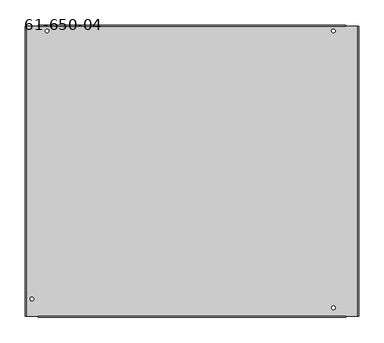
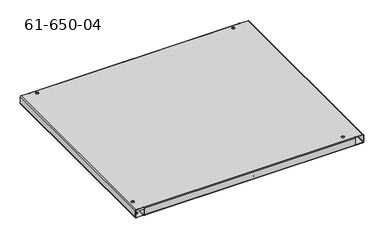
"""IFC4 building model written with IfcOpenShell, lengths in millimetres: proxy geometry, 61-650-04."""

from ifc_helpers import new_model, si_unit, frame, origin, place, context, project, spatial, polyline, circle_curve, source, transform, mapped, element, save
from ifc_brep_helpers import plane_surface, cylinder_surface, revolved_surface, advanced_brep


def proxy_61_650_04_9d0767db(model_context):
    return source(origin(), model_context, "Body", "AdvancedBrep", [
        advanced_brep(
        [(-613.9364542, 554.2749979, -23.27656), (-613.9364542, 554.2749979, -22.42312), (-621.1754542, 554.2749979, -22.42312), (-621.1754542, 554.2749979, -23.27656), (-613.9364542, 554.2749979, 0.0), (-613.9364542, 554.2749979, 0.85344), (-621.1754542, 554.2749979, 0.85344), (-621.1754542, 554.2749979, 0.0), (-51.3518542, 10.1815979, -23.27656), (-51.3518542, 10.1815979, -22.42312), (-58.5908542, 10.1815979, -22.42312), (-58.5908542, 10.1815979, -23.27656), (-51.3518542, 10.1815979, 0.0), (-51.3518542, 10.1815979, 0.85344), (-58.5908542, 10.1815979, 0.85344), (-58.5908542, 10.1815979, 0.0), (-643.7331942, 27.6415579, -23.27656), (-643.7331942, 27.6415579, -22.42312), (-650.9721942, 27.6415579, -22.42312), (-650.9721942, 27.6415579, -23.27656), (-643.7331942, 27.6415579, 0.0), (-643.7331942, 27.6415579, 0.85344), (-650.9721942, 27.6415579, 0.85344), (-650.9721942, 27.6415579, 0.0), (-51.3518542, 554.2749979, -23.27656), (-51.3518542, 554.2749979, -22.42312), (-58.5908542, 554.2749979, -22.42312), (-58.5908542, 554.2749979, -23.27656), (-51.3518542, 554.2749979, 0.0), (-51.3518542, 554.2749979, 0.85344), (-58.5908542, 554.2749979, 0.85344), (-58.5908542, 554.2749979, 0.0), (-653.6976142, 10.4914779, -22.42312), (-653.6976142, 10.4914779, -23.27656), (-644.1726142, 10.4914779, -23.27656), (-644.1726142, 10.4914779, -22.42312), (-532.7174142, 7.0116779, -22.42312), (-532.7174142, 7.0116779, -23.27656), (-523.1924142, 7.0116779, -23.27656), (-523.1924142, 7.0116779, -22.42312), (-653.6976142, 553.9498779, -22.42312), (-653.6976142, 553.9498779, -23.27656), (-644.1726142, 553.9498779, -23.27656), (-644.1726142, 553.9498779, -22.42312), (-578.1224542, 552.2531579, -22.42312), (-578.1224542, 552.2531579, -23.27656), (-568.5974542, 552.2531579, -23.27656), (-568.5974542, 552.2531579, -22.42312), (-468.9126142, 554.7931579, -22.42312), (-468.9126142, 554.7931579, -23.27656), (-459.3876142, 554.7931579, -23.27656), (-459.3876142, 554.7931579, -22.42312), (-407.5843142, 557.8868779, -22.42312), (-407.5843142, 557.8868779, -23.27656), (-398.0593142, 557.8868779, -23.27656), (-398.0593142, 557.8868779, -22.42312), (-270.9780342, 556.3080447, -22.42312), (-270.9780342, 556.3080447, -23.27656), (-261.4530342, 556.3080447, -23.27656), (-261.4530342, 556.3080447, -22.42312), (-422.8243142, 557.8868779, -22.42312), (-422.8243142, 557.8868779, -23.27656), (-413.2993142, 557.8868779, -23.27656), (-413.2993142, 557.8868779, -22.42312), (-489.2224542, 552.2531579, -22.42312), (-489.2224542, 552.2531579, -23.27656), (-479.6974542, 552.2531579, -23.27656), (-479.6974542, 552.2531579, -22.42312), (-598.4526142, 554.7931579, -22.42312), (-598.4526142, 554.7931579, -23.27656), (-588.9276142, 554.7931579, -23.27656), (-588.9276142, 554.7931579, -22.42312), (-655.415701, 322.7756988, -22.42312), (-655.415701, 322.7756988, -23.27656), (-645.890701, 322.7756988, -23.27656), (-645.890701, 322.7756988, -22.42312), (-461.5974142, 7.0116779, -22.42312), (-461.5974142, 7.0116779, -23.27656), (-452.0724142, 7.0116779, -23.27656), (-452.0724142, 7.0116779, -22.42312), (-603.8374142, 7.0116779, -22.42312), (-603.8374142, 7.0116779, -23.27656), (-594.3124142, 7.0116779, -23.27656), (-594.3124142, 7.0116779, -22.42312), (-512.9429376, -0.5118021, -22.42312), (-512.9429376, -0.5118021, -23.27656), (-503.4179376, -0.5118021, -23.27656), (-503.4179376, -0.5118021, -22.42312), (-653.6976142, 252.3858379, -22.42312), (-653.6976142, 252.3858379, -23.27656), (-644.1726142, 252.3858379, -23.27656), (-644.1726142, 252.3858379, -22.42312), (-650.0908142, 502.7358579, -22.42312), (-650.0908142, 502.7358579, -23.27656), (-640.5658142, 502.7358579, -23.27656), (-640.5658142, 502.7358579, -22.42312), (-650.0908142, 375.7358579, -22.42312), (-650.0908142, 375.7358579, -23.27656), (-640.5658142, 375.7358579, -23.27656), (-640.5658142, 375.7358579, -22.42312), (-653.6976142, 223.8108379, -22.42312), (-653.6976142, 223.8108379, -23.27656), (-644.1726142, 223.8108379, -23.27656), (-644.1726142, 223.8108379, -22.42312), (-495.1629376, -0.5118021, -22.42312), (-495.1629376, -0.5118021, -23.27656), (-485.6379376, -0.5118021, -23.27656), (-485.6379376, -0.5118021, -22.42312), (-326.9963456, 3.288137, -23.27656), (-322.7200359, 9.2697503, -23.27656), (-322.7200359, 9.2697503, -22.42312), (-326.9963456, 3.288137, -22.42312), (-314.9715098, 3.7302586, -23.27656), (-319.2478195, -2.2513547, -23.27656), (-319.2478195, -2.2513547, -22.42312), (-314.9715098, 3.7302586, -22.42312), (-634.8736742, -6.4249221, -22.42312), (-30.5162342, -6.4249221, -22.42312), (-30.5162342, 14.7281979, -22.42312), (-634.8736742, 14.7281979, -22.42312), (-164.2521507, 5.2910448, -22.42312), (-158.0394742, 5.2808911, -22.42312), (-158.3504907, -4.2339425, -22.42312), (-164.2521507, -4.2339425, -22.42312), (-158.3504907, -4.2339425, -23.27656), (-164.2521507, -4.2339425, -23.27656), (-164.2521507, 5.2910448, -23.27656), (-158.0394742, 5.2808911, -23.27656), (-30.5162342, -6.4249221, -23.27656), (-634.8736742, -6.4249221, -23.27656), (-634.8736742, 14.7281979, -23.27656), (-30.5162342, 14.7281979, -23.27656), (-30.5162342, -8.1318021, -21.56968), (-634.8736742, -8.1318021, -21.56968), (-30.5162342, -7.2783621, -21.56968), (-634.8736742, -7.2783621, -21.56968), (-30.5162342, 563.2615179, -23.27656), (-634.8736742, 563.2615179, -23.27656), (-634.8736742, 564.9683979, -21.56968), (-30.5162342, 564.9683979, -21.56968), (-30.5162342, 563.2615179, -22.42312), (-30.5162342, 542.1083979, -22.42312), (-30.5162342, 542.1083979, -23.27656), (-634.8736742, 563.2615179, -22.42312), (-634.8736742, 542.1083979, -22.42312), (-634.8736742, 564.1149579, -21.56968), (-30.5162342, 564.1149579, -21.56968), (-634.8736742, 542.1083979, -23.27656), (-658.2416742, 563.2615179, -23.27656), (-658.2416742, -6.4249221, -23.27656), (-659.9485542, -6.4249221, -21.56968), (-659.9485542, 563.2615179, -21.56968), (-658.2416742, 563.2615179, -22.42312), (-637.0885542, 563.2615179, -22.42312), (-637.0885542, 563.2615179, -23.27656), (-658.2416742, -6.4249221, -22.42312), (-637.0885542, -6.4249221, -22.42312), (-659.0951142, -6.4249221, -21.56968), (-659.0951142, 563.2615179, -21.56968), (-637.0885542, -6.4249221, -23.27656), (-7.1482342, -6.4249221, -23.27656), (-7.1482342, 563.2615179, -23.27656), (-5.4413542, 563.2615179, -21.56968), (-5.4413542, -6.4249221, -21.56968), (-7.1482342, -6.4249221, -22.42312), (-28.3013542, -6.4249221, -22.42312), (-28.3013542, -6.4249221, -23.27656), (-7.1482342, 563.2615179, -22.42312), (-28.3013542, 563.2615179, -22.42312), (-6.2947942, 563.2615179, -21.56968), (-6.2947942, -6.4249221, -21.56968), (-28.3013542, 563.2615179, -23.27656), (-634.8736742, -8.1318021, -0.85344), (-634.8736742, -6.4249221, 0.85344), (-634.8736742, -6.4249221, 0.0), (-634.8736742, -7.2783621, -0.85344), (-30.5162342, -8.1318021, -0.85344), (-30.5162342, 564.9683979, -0.85344), (-30.5162342, 563.2615179, 0.85344), (-30.5162342, 563.2615179, 0.0), (-30.5162342, 564.1149579, -0.85344), (-634.8736742, 564.9683979, -0.85344), (-659.0951142, -6.4249221, -0.85344), (-658.2416742, -6.4249221, 0.0), (-658.2416742, -6.4249221, 0.85344), (-659.9485542, -6.4249221, -0.85344), (-659.0951142, 563.2615179, -0.85344), (-659.9485542, 563.2615179, -0.85344), (-658.2416742, 563.2615179, 0.85344), (-634.8736742, 563.2615179, 0.85344), (-634.8736742, 563.2615179, 0.0), (-658.2416742, 563.2615179, 0.0), (-6.2947942, 563.2615179, -0.85344), (-7.1482342, 563.2615179, 0.0), (-7.1482342, 563.2615179, 0.85344), (-5.4413542, 563.2615179, -0.85344), (-6.2947942, -6.4249221, -0.85344), (-5.4413542, -6.4249221, -0.85344), (-7.1482342, -6.4249221, 0.85344), (-30.5162342, -6.4249221, 0.85344), (-30.5162342, -6.4249221, 0.0), (-7.1482342, -6.4249221, 0.0), (-634.8736742, 564.1149579, -0.85344), (-30.5162342, -7.2783621, -0.85344)],
        [
            (0, 1),
            (1, 2, circle_curve(frame((-617.5559542, 554.2749979, -22.42312), z_axis=(0.0, 0.0, 1.0), x_axis=(1.0, 0.0, 0.0)), 3.6195)),
            (2, 3),
            (3, 0, circle_curve(frame((-617.5559542, 554.2749979, -23.27656), z_axis=(0.0, 0.0, -1.0), x_axis=(1.0, 0.0, 0.0)), 3.6195)),
            (4, 5),
            (5, 6, circle_curve(frame((-617.5559542, 554.2749979, 0.85344), z_axis=(0.0, 0.0, 1.0), x_axis=(1.0, 0.0, 0.0)), 3.6195)),
            (6, 7),
            (7, 4, circle_curve(frame((-617.5559542, 554.2749979, 0.0), z_axis=(0.0, 0.0, -1.0), x_axis=(1.0, 0.0, 0.0)), 3.6195)),
            (8, 9),
            (9, 10, circle_curve(frame((-54.9713542, 10.1815979, -22.42312), z_axis=(0.0, 0.0, 1.0), x_axis=(1.0, 0.0, 0.0)), 3.6195)),
            (10, 11),
            (11, 8, circle_curve(frame((-54.9713542, 10.1815979, -23.27656), z_axis=(0.0, 0.0, -1.0), x_axis=(1.0, 0.0, 0.0)), 3.6195)),
            (12, 13),
            (13, 14, circle_curve(frame((-54.9713542, 10.1815979, 0.85344), z_axis=(0.0, 0.0, 1.0), x_axis=(1.0, 0.0, 0.0)), 3.6195)),
            (14, 15),
            (15, 12, circle_curve(frame((-54.9713542, 10.1815979, 0.0), z_axis=(0.0, 0.0, -1.0), x_axis=(1.0, 0.0, 0.0)), 3.6195)),
            (16, 17),
            (17, 18, circle_curve(frame((-647.3526942, 27.6415579, -22.42312), z_axis=(0.0, 0.0, 1.0), x_axis=(1.0, 0.0, 0.0)), 3.6195)),
            (18, 19),
            (19, 16, circle_curve(frame((-647.3526942, 27.6415579, -23.27656), z_axis=(0.0, 0.0, -1.0), x_axis=(1.0, 0.0, 0.0)), 3.6195)),
            (20, 21),
            (21, 22, circle_curve(frame((-647.3526942, 27.6415579, 0.85344), z_axis=(0.0, 0.0, 1.0), x_axis=(1.0, 0.0, 0.0)), 3.6195)),
            (22, 23),
            (23, 20, circle_curve(frame((-647.3526942, 27.6415579, 0.0), z_axis=(0.0, 0.0, -1.0), x_axis=(1.0, 0.0, 0.0)), 3.6195)),
            (24, 25),
            (25, 26, circle_curve(frame((-54.9713542, 554.2749979, -22.42312), z_axis=(0.0, 0.0, 1.0), x_axis=(1.0, 0.0, 0.0)), 3.6195)),
            (26, 27),
            (27, 24, circle_curve(frame((-54.9713542, 554.2749979, -23.27656), z_axis=(0.0, 0.0, -1.0), x_axis=(1.0, 0.0, 0.0)), 3.6195)),
            (28, 29),
            (29, 30, circle_curve(frame((-54.9713542, 554.2749979, 0.85344), z_axis=(0.0, 0.0, 1.0), x_axis=(1.0, 0.0, 0.0)), 3.6195)),
            (30, 31),
            (31, 28, circle_curve(frame((-54.9713542, 554.2749979, 0.0), z_axis=(0.0, 0.0, -1.0), x_axis=(1.0, 0.0, 0.0)), 3.6195)),
            (32, 33),
            (33, 34, circle_curve(frame((-648.9351142, 10.4914779, -23.27656), z_axis=(0.0, 0.0, -1.0), x_axis=(-1.0, 0.0, 0.0)), 4.7625)),
            (34, 35),
            (35, 32, circle_curve(frame((-648.9351142, 10.4914779, -22.42312), z_axis=(0.0, 0.0, 1.0), x_axis=(-1.0, 0.0, 0.0)), 4.7625)),
            (36, 37),
            (37, 38, circle_curve(frame((-527.9549142, 7.0116779, -23.27656), z_axis=(0.0, 0.0, -1.0), x_axis=(-1.0, 0.0, 0.0)), 4.7625)),
            (38, 39),
            (39, 36, circle_curve(frame((-527.9549142, 7.0116779, -22.42312), z_axis=(0.0, 0.0, 1.0), x_axis=(-1.0, 0.0, 0.0)), 4.7625)),
            (40, 41),
            (41, 42, circle_curve(frame((-648.9351142, 553.9498779, -23.27656), z_axis=(0.0, 0.0, -1.0), x_axis=(-1.0, 0.0, 0.0)), 4.7625)),
            (42, 43),
            (43, 40, circle_curve(frame((-648.9351142, 553.9498779, -22.42312), z_axis=(0.0, 0.0, 1.0), x_axis=(-1.0, 0.0, 0.0)), 4.7625)),
            (44, 45),
            (45, 46, circle_curve(frame((-573.3599542, 552.2531579, -23.27656), z_axis=(0.0, 0.0, -1.0), x_axis=(-1.0, 0.0, 0.0)), 4.7625)),
            (46, 47),
            (47, 44, circle_curve(frame((-573.3599542, 552.2531579, -22.42312), z_axis=(0.0, 0.0, 1.0), x_axis=(-1.0, 0.0, 0.0)), 4.7625)),
            (48, 49),
            (49, 50, circle_curve(frame((-464.1501142, 554.7931579, -23.27656), z_axis=(0.0, 0.0, -1.0), x_axis=(-1.0, 0.0, 0.0)), 4.7625)),
            (50, 51),
            (51, 48, circle_curve(frame((-464.1501142, 554.7931579, -22.42312), z_axis=(0.0, 0.0, 1.0), x_axis=(-1.0, 0.0, 0.0)), 4.7625)),
            (52, 53),
            (53, 54, circle_curve(frame((-402.8218142, 557.8868779, -23.27656), z_axis=(0.0, 0.0, -1.0), x_axis=(-1.0, 0.0, 0.0)), 4.7625)),
            (54, 55),
            (55, 52, circle_curve(frame((-402.8218142, 557.8868779, -22.42312), z_axis=(0.0, 0.0, 1.0), x_axis=(-1.0, 0.0, 0.0)), 4.7625)),
            (56, 57),
            (57, 58, circle_curve(frame((-266.2155342, 556.3080447, -23.27656), z_axis=(0.0, 0.0, -1.0), x_axis=(-1.0, 0.0, 0.0)), 4.7625)),
            (58, 59),
            (59, 56, circle_curve(frame((-266.2155342, 556.3080447, -22.42312), z_axis=(0.0, 0.0, 1.0), x_axis=(-1.0, 0.0, 0.0)), 4.7625)),
            (60, 61),
            (61, 62, circle_curve(frame((-418.0618142, 557.8868779, -23.27656), z_axis=(0.0, 0.0, -1.0), x_axis=(-1.0, 0.0, 0.0)), 4.7625)),
            (62, 63),
            (63, 60, circle_curve(frame((-418.0618142, 557.8868779, -22.42312), z_axis=(0.0, 0.0, 1.0), x_axis=(-1.0, 0.0, 0.0)), 4.7625)),
            (64, 65),
            (65, 66, circle_curve(frame((-484.4599542, 552.2531579, -23.27656), z_axis=(0.0, 0.0, -1.0), x_axis=(-1.0, 0.0, 0.0)), 4.7625)),
            (66, 67),
            (67, 64, circle_curve(frame((-484.4599542, 552.2531579, -22.42312), z_axis=(0.0, 0.0, 1.0), x_axis=(-1.0, 0.0, 0.0)), 4.7625)),
            (68, 69),
            (69, 70, circle_curve(frame((-593.6901142, 554.7931579, -23.27656), z_axis=(0.0, 0.0, -1.0), x_axis=(-1.0, 0.0, 0.0)), 4.7625)),
            (70, 71),
            (71, 68, circle_curve(frame((-593.6901142, 554.7931579, -22.42312), z_axis=(0.0, 0.0, 1.0), x_axis=(-1.0, 0.0, 0.0)), 4.7625)),
            (72, 73),
            (73, 74, circle_curve(frame((-650.653201, 322.7756988, -23.27656), z_axis=(0.0, 0.0, -1.0), x_axis=(-1.0, 0.0, 0.0)), 4.7625)),
            (74, 75),
            (75, 72, circle_curve(frame((-650.653201, 322.7756988, -22.42312), z_axis=(0.0, 0.0, 1.0), x_axis=(-1.0, 0.0, 0.0)), 4.7625)),
            (76, 77),
            (77, 78, circle_curve(frame((-456.8349142, 7.0116779, -23.27656), z_axis=(0.0, 0.0, -1.0), x_axis=(-1.0, 0.0, 0.0)), 4.7625)),
            (78, 79),
            (79, 76, circle_curve(frame((-456.8349142, 7.0116779, -22.42312), z_axis=(0.0, 0.0, 1.0), x_axis=(-1.0, 0.0, 0.0)), 4.7625)),
            (80, 81),
            (81, 82, circle_curve(frame((-599.0749142, 7.0116779, -23.27656), z_axis=(0.0, 0.0, -1.0), x_axis=(-1.0, 0.0, 0.0)), 4.7625)),
            (82, 83),
            (83, 80, circle_curve(frame((-599.0749142, 7.0116779, -22.42312), z_axis=(0.0, 0.0, 1.0), x_axis=(-1.0, 0.0, 0.0)), 4.7625)),
            (84, 85),
            (85, 86, circle_curve(frame((-508.1804376, -0.5118021, -23.27656), z_axis=(0.0, 0.0, -1.0), x_axis=(-1.0, 0.0, 0.0)), 4.7625)),
            (86, 87),
            (87, 84, circle_curve(frame((-508.1804376, -0.5118021, -22.42312), z_axis=(0.0, 0.0, 1.0), x_axis=(-1.0, 0.0, 0.0)), 4.7625)),
            (88, 89),
            (89, 90, circle_curve(frame((-648.9351142, 252.3858379, -23.27656), z_axis=(0.0, 0.0, -1.0), x_axis=(-1.0, 0.0, 0.0)), 4.7625)),
            (90, 91),
            (91, 88, circle_curve(frame((-648.9351142, 252.3858379, -22.42312), z_axis=(0.0, 0.0, 1.0), x_axis=(-1.0, 0.0, 0.0)), 4.7625)),
            (92, 93),
            (93, 94, circle_curve(frame((-645.3283142, 502.7358579, -23.27656), z_axis=(0.0, 0.0, -1.0), x_axis=(-1.0, 0.0, 0.0)), 4.7625)),
            (94, 95),
            (95, 92, circle_curve(frame((-645.3283142, 502.7358579, -22.42312), z_axis=(0.0, 0.0, 1.0), x_axis=(-1.0, 0.0, 0.0)), 4.7625)),
            (96, 97),
            (97, 98, circle_curve(frame((-645.3283142, 375.7358579, -23.27656), z_axis=(0.0, 0.0, -1.0), x_axis=(-1.0, 0.0, 0.0)), 4.7625)),
            (98, 99),
            (99, 96, circle_curve(frame((-645.3283142, 375.7358579, -22.42312), z_axis=(0.0, 0.0, 1.0), x_axis=(-1.0, 0.0, 0.0)), 4.7625)),
            (100, 101),
            (101, 102, circle_curve(frame((-648.9351142, 223.8108379, -23.27656), z_axis=(0.0, 0.0, -1.0), x_axis=(-1.0, 0.0, 0.0)), 4.7625)),
            (102, 103),
            (103, 100, circle_curve(frame((-648.9351142, 223.8108379, -22.42312), z_axis=(0.0, 0.0, 1.0), x_axis=(-1.0, 0.0, 0.0)), 4.7625)),
            (104, 105),
            (105, 106, circle_curve(frame((-490.4004376, -0.5118021, -23.27656), z_axis=(0.0, 0.0, -1.0), x_axis=(-1.0, 0.0, 0.0)), 4.7625)),
            (106, 107),
            (107, 104, circle_curve(frame((-490.4004376, -0.5118021, -22.42312), z_axis=(0.0, 0.0, 1.0), x_axis=(-1.0, 0.0, 0.0)), 4.7625)),
            (108, 109),
            (109, 110),
            (110, 111),
            (111, 108),
            (112, 113),
            (113, 114),
            (114, 115),
            (115, 112),
            (116, 117),
            (117, 118),
            (118, 119),
            (119, 116),
            (9, 10, circle_curve(frame((-54.9713542, 10.1815979, -22.42312), z_axis=(0.0, 0.0, -1.0), x_axis=(1.0, 0.0, 0.0)), 3.6195)),
            (39, 36, circle_curve(frame((-527.9549142, 7.0116779, -22.42312), z_axis=(0.0, 0.0, -1.0), x_axis=(-1.0, 0.0, 0.0)), 4.7625)),
            (79, 76, circle_curve(frame((-456.8349142, 7.0116779, -22.42312), z_axis=(0.0, 0.0, -1.0), x_axis=(-1.0, 0.0, 0.0)), 4.7625)),
            (83, 80, circle_curve(frame((-599.0749142, 7.0116779, -22.42312), z_axis=(0.0, 0.0, -1.0), x_axis=(-1.0, 0.0, 0.0)), 4.7625)),
            (87, 84, circle_curve(frame((-508.1804376, -0.5118021, -22.42312), z_axis=(0.0, 0.0, -1.0), x_axis=(-1.0, 0.0, 0.0)), 4.7625)),
            (107, 104, circle_curve(frame((-490.4004376, -0.5118021, -22.42312), z_axis=(0.0, 0.0, -1.0), x_axis=(-1.0, 0.0, 0.0)), 4.7625)),
            (110, 115, circle_curve(frame((-318.8457729, 6.5000045, -22.42312), z_axis=(0.0, 0.0, -1.0), x_axis=(0.5815739285249365, 0.813493556004024, 0.0)), 4.7625)),
            (114, 111, circle_curve(frame((-323.1220826, 0.5183911, -22.42312), z_axis=(0.0, 0.0, -1.0), x_axis=(-1.0, 0.0, 0.0)), 4.7625)),
            (120, 121),
            (121, 122, circle_curve(frame((-158.0394742, 0.5183911, -22.42312), z_axis=(0.0, 0.0, -1.0), x_axis=(0.9994661903075992, -0.03267008466493396, 0.0)), 4.7625)),
            (122, 123),
            (123, 120, circle_curve(frame((-164.2599342, 0.5285511, -22.42312), z_axis=(0.0, 0.0, -1.0), x_axis=(-1.0, 0.0, 0.0)), 4.7625)),
            (109, 112, circle_curve(frame((-318.8457729, 6.5000045, -23.27656), z_axis=(0.0, 0.0, -1.0), x_axis=(0.5815739285249365, 0.813493556004024, 0.0)), 4.7625)),
            (122, 124),
            (124, 125),
            (125, 123),
            (126, 127),
            (127, 121),
            (120, 126),
            (127, 124, circle_curve(frame((-158.0394742, 0.5183911, -23.27656), z_axis=(0.0, 0.0, -1.0), x_axis=(0.9994661903075992, -0.03267008466493396, 0.0)), 4.7625)),
            (128, 129),
            (129, 130),
            (130, 131),
            (131, 128),
            (108, 113, circle_curve(frame((-323.1220826, 0.5183911, -23.27656), z_axis=(0.0, 0.0, 1.0), x_axis=(-1.0, 0.0, 0.0)), 4.7625)),
            (126, 125, circle_curve(frame((-164.2599342, 0.5285511, -23.27656), z_axis=(0.0, 0.0, 1.0), x_axis=(-1.0, 0.0, 0.0)), 4.7625)),
            (11, 8, circle_curve(frame((-54.9713542, 10.1815979, -23.27656), z_axis=(0.0, 0.0, 1.0), x_axis=(1.0, 0.0, 0.0)), 3.6195)),
            (37, 38, circle_curve(frame((-527.9549142, 7.0116779, -23.27656), z_axis=(0.0, 0.0, 1.0), x_axis=(-1.0, 0.0, 0.0)), 4.7625)),
            (77, 78, circle_curve(frame((-456.8349142, 7.0116779, -23.27656), z_axis=(0.0, 0.0, 1.0), x_axis=(-1.0, 0.0, 0.0)), 4.7625)),
            (81, 82, circle_curve(frame((-599.0749142, 7.0116779, -23.27656), z_axis=(0.0, 0.0, 1.0), x_axis=(-1.0, 0.0, 0.0)), 4.7625)),
            (85, 86, circle_curve(frame((-508.1804376, -0.5118021, -23.27656), z_axis=(0.0, 0.0, 1.0), x_axis=(-1.0, 0.0, 0.0)), 4.7625)),
            (105, 106, circle_curve(frame((-490.4004376, -0.5118021, -23.27656), z_axis=(0.0, 0.0, 1.0), x_axis=(-1.0, 0.0, 0.0)), 4.7625)),
            (100, 103, circle_curve(frame((-648.9351142, 223.8108379, -22.42312), z_axis=(0.0, 0.0, 1.0), x_axis=(-1.0, 0.0, 0.0)), 4.7625)),
            (102, 101, circle_curve(frame((-648.9351142, 223.8108379, -23.27656), z_axis=(0.0, 0.0, -1.0), x_axis=(-1.0, 0.0, 0.0)), 4.7625)),
            (96, 99, circle_curve(frame((-645.3283142, 375.7358579, -22.42312), z_axis=(0.0, 0.0, 1.0), x_axis=(-1.0, 0.0, 0.0)), 4.7625)),
            (98, 97, circle_curve(frame((-645.3283142, 375.7358579, -23.27656), z_axis=(0.0, 0.0, -1.0), x_axis=(-1.0, 0.0, 0.0)), 4.7625)),
            (92, 95, circle_curve(frame((-645.3283142, 502.7358579, -22.42312), z_axis=(0.0, 0.0, 1.0), x_axis=(-1.0, 0.0, 0.0)), 4.7625)),
            (94, 93, circle_curve(frame((-645.3283142, 502.7358579, -23.27656), z_axis=(0.0, 0.0, -1.0), x_axis=(-1.0, 0.0, 0.0)), 4.7625)),
            (88, 91, circle_curve(frame((-648.9351142, 252.3858379, -22.42312), z_axis=(0.0, 0.0, 1.0), x_axis=(-1.0, 0.0, 0.0)), 4.7625)),
            (90, 89, circle_curve(frame((-648.9351142, 252.3858379, -23.27656), z_axis=(0.0, 0.0, -1.0), x_axis=(-1.0, 0.0, 0.0)), 4.7625)),
            (72, 75, circle_curve(frame((-650.653201, 322.7756988, -22.42312), z_axis=(0.0, 0.0, 1.0), x_axis=(-1.0, 0.0, 0.0)), 4.7625)),
            (74, 73, circle_curve(frame((-650.653201, 322.7756988, -23.27656), z_axis=(0.0, 0.0, -1.0), x_axis=(-1.0, 0.0, 0.0)), 4.7625)),
            (68, 71, circle_curve(frame((-593.6901142, 554.7931579, -22.42312), z_axis=(0.0, 0.0, 1.0), x_axis=(-1.0, 0.0, 0.0)), 4.7625)),
            (70, 69, circle_curve(frame((-593.6901142, 554.7931579, -23.27656), z_axis=(0.0, 0.0, -1.0), x_axis=(-1.0, 0.0, 0.0)), 4.7625)),
            (64, 67, circle_curve(frame((-484.4599542, 552.2531579, -22.42312), z_axis=(0.0, 0.0, 1.0), x_axis=(-1.0, 0.0, 0.0)), 4.7625)),
            (66, 65, circle_curve(frame((-484.4599542, 552.2531579, -23.27656), z_axis=(0.0, 0.0, -1.0), x_axis=(-1.0, 0.0, 0.0)), 4.7625)),
            (60, 63, circle_curve(frame((-418.0618142, 557.8868779, -22.42312), z_axis=(0.0, 0.0, 1.0), x_axis=(-1.0, 0.0, 0.0)), 4.7625)),
            (62, 61, circle_curve(frame((-418.0618142, 557.8868779, -23.27656), z_axis=(0.0, 0.0, -1.0), x_axis=(-1.0, 0.0, 0.0)), 4.7625)),
            (56, 59, circle_curve(frame((-266.2155342, 556.3080447, -22.42312), z_axis=(0.0, 0.0, 1.0), x_axis=(-1.0, 0.0, 0.0)), 4.7625)),
            (58, 57, circle_curve(frame((-266.2155342, 556.3080447, -23.27656), z_axis=(0.0, 0.0, -1.0), x_axis=(-1.0, 0.0, 0.0)), 4.7625)),
            (52, 55, circle_curve(frame((-402.8218142, 557.8868779, -22.42312), z_axis=(0.0, 0.0, 1.0), x_axis=(-1.0, 0.0, 0.0)), 4.7625)),
            (54, 53, circle_curve(frame((-402.8218142, 557.8868779, -23.27656), z_axis=(0.0, 0.0, -1.0), x_axis=(-1.0, 0.0, 0.0)), 4.7625)),
            (48, 51, circle_curve(frame((-464.1501142, 554.7931579, -22.42312), z_axis=(0.0, 0.0, 1.0), x_axis=(-1.0, 0.0, 0.0)), 4.7625)),
            (50, 49, circle_curve(frame((-464.1501142, 554.7931579, -23.27656), z_axis=(0.0, 0.0, -1.0), x_axis=(-1.0, 0.0, 0.0)), 4.7625)),
            (44, 47, circle_curve(frame((-573.3599542, 552.2531579, -22.42312), z_axis=(0.0, 0.0, 1.0), x_axis=(-1.0, 0.0, 0.0)), 4.7625)),
            (46, 45, circle_curve(frame((-573.3599542, 552.2531579, -23.27656), z_axis=(0.0, 0.0, -1.0), x_axis=(-1.0, 0.0, 0.0)), 4.7625)),
            (40, 43, circle_curve(frame((-648.9351142, 553.9498779, -22.42312), z_axis=(0.0, 0.0, 1.0), x_axis=(-1.0, 0.0, 0.0)), 4.7625)),
            (42, 41, circle_curve(frame((-648.9351142, 553.9498779, -23.27656), z_axis=(0.0, 0.0, -1.0), x_axis=(-1.0, 0.0, 0.0)), 4.7625)),
            (32, 35, circle_curve(frame((-648.9351142, 10.4914779, -22.42312), z_axis=(0.0, 0.0, 1.0), x_axis=(-1.0, 0.0, 0.0)), 4.7625)),
            (34, 33, circle_curve(frame((-648.9351142, 10.4914779, -23.27656), z_axis=(0.0, 0.0, -1.0), x_axis=(-1.0, 0.0, 0.0)), 4.7625)),
            (28, 31, circle_curve(frame((-54.9713542, 554.2749979, 0.0), z_axis=(0.0, 0.0, -1.0), x_axis=(1.0, 0.0, 0.0)), 3.6195)),
            (30, 29, circle_curve(frame((-54.9713542, 554.2749979, 0.85344), z_axis=(0.0, 0.0, 1.0), x_axis=(1.0, 0.0, 0.0)), 3.6195)),
            (24, 27, circle_curve(frame((-54.9713542, 554.2749979, -23.27656), z_axis=(0.0, 0.0, -1.0), x_axis=(1.0, 0.0, 0.0)), 3.6195)),
            (26, 25, circle_curve(frame((-54.9713542, 554.2749979, -22.42312), z_axis=(0.0, 0.0, 1.0), x_axis=(1.0, 0.0, 0.0)), 3.6195)),
            (20, 23, circle_curve(frame((-647.3526942, 27.6415579, 0.0), z_axis=(0.0, 0.0, -1.0), x_axis=(1.0, 0.0, 0.0)), 3.6195)),
            (22, 21, circle_curve(frame((-647.3526942, 27.6415579, 0.85344), z_axis=(0.0, 0.0, 1.0), x_axis=(1.0, 0.0, 0.0)), 3.6195)),
            (16, 19, circle_curve(frame((-647.3526942, 27.6415579, -23.27656), z_axis=(0.0, 0.0, -1.0), x_axis=(1.0, 0.0, 0.0)), 3.6195)),
            (18, 17, circle_curve(frame((-647.3526942, 27.6415579, -22.42312), z_axis=(0.0, 0.0, 1.0), x_axis=(1.0, 0.0, 0.0)), 3.6195)),
            (12, 15, circle_curve(frame((-54.9713542, 10.1815979, 0.0), z_axis=(0.0, 0.0, -1.0), x_axis=(1.0, 0.0, 0.0)), 3.6195)),
            (14, 13, circle_curve(frame((-54.9713542, 10.1815979, 0.85344), z_axis=(0.0, 0.0, 1.0), x_axis=(1.0, 0.0, 0.0)), 3.6195)),
            (4, 7, circle_curve(frame((-617.5559542, 554.2749979, 0.0), z_axis=(0.0, 0.0, -1.0), x_axis=(1.0, 0.0, 0.0)), 3.6195)),
            (6, 5, circle_curve(frame((-617.5559542, 554.2749979, 0.85344), z_axis=(0.0, 0.0, 1.0), x_axis=(1.0, 0.0, 0.0)), 3.6195)),
            (0, 3, circle_curve(frame((-617.5559542, 554.2749979, -23.27656), z_axis=(0.0, 0.0, -1.0), x_axis=(1.0, 0.0, 0.0)), 3.6195)),
            (2, 1, circle_curve(frame((-617.5559542, 554.2749979, -22.42312), z_axis=(0.0, 0.0, 1.0), x_axis=(1.0, 0.0, 0.0)), 3.6195)),
            (128, 132, circle_curve(frame((-30.5162342, -6.4249221, -21.56968), z_axis=(-1.0, 0.0, 0.0), x_axis=(0.0, -1.0, 0.0)), 1.70688)),
            (132, 133),
            (133, 129, circle_curve(frame((-634.8736742, -6.4249221, -21.56968), z_axis=(1.0, 0.0, 0.0), x_axis=(0.0, -1.0, 0.0)), 1.70688)),
            (129, 116),
            (119, 130),
            (128, 117),
            (117, 134, circle_curve(frame((-30.5162342, -6.4249221, -21.56968), z_axis=(-1.0, 0.0, 0.0), x_axis=(0.0, -1.0, 0.0)), 0.85344)),
            (134, 132),
            (133, 135),
            (135, 116, circle_curve(frame((-634.8736742, -6.4249221, -21.56968), z_axis=(1.0, 0.0, 0.0), x_axis=(0.0, -1.0, 0.0)), 0.85344)),
            (131, 118),
            (135, 134),
            (136, 137),
            (137, 138, circle_curve(frame((-634.8736742, 563.2615179, -21.56968), z_axis=(1.0, 0.0, 0.0), x_axis=(0.0, 1.0, 0.0)), 1.70688)),
            (138, 139),
            (139, 136, circle_curve(frame((-30.5162342, 563.2615179, -21.56968), z_axis=(-1.0, 0.0, 0.0), x_axis=(0.0, 1.0, 0.0)), 1.70688)),
            (136, 140),
            (140, 141),
            (141, 142),
            (142, 136),
            (140, 143),
            (143, 144),
            (144, 141),
            (137, 143),
            (143, 145, circle_curve(frame((-634.8736742, 563.2615179, -21.56968), z_axis=(1.0, 0.0, 0.0), x_axis=(0.0, 1.0, 0.0)), 0.85344)),
            (145, 138),
            (139, 146),
            (146, 140, circle_curve(frame((-30.5162342, 563.2615179, -21.56968), z_axis=(-1.0, 0.0, 0.0), x_axis=(0.0, 1.0, 0.0)), 0.85344)),
            (137, 147),
            (147, 144),
            (147, 142),
            (146, 145),
            (148, 149),
            (149, 150, circle_curve(frame((-658.2416742, -6.4249221, -21.56968), z_axis=(0.0, 1.0, 0.0), x_axis=(-1.0, 0.0, 0.0)), 1.70688)),
            (150, 151),
            (151, 148, circle_curve(frame((-658.2416742, 563.2615179, -21.56968), z_axis=(0.0, -1.0, 0.0), x_axis=(-1.0, 0.0, 0.0)), 1.70688)),
            (148, 152),
            (152, 153),
            (153, 154),
            (154, 148),
            (152, 155),
            (155, 156),
            (156, 153),
            (149, 155),
            (155, 157, circle_curve(frame((-658.2416742, -6.4249221, -21.56968), z_axis=(0.0, 1.0, 0.0), x_axis=(-1.0, 0.0, 0.0)), 0.85344)),
            (157, 150),
            (151, 158),
            (158, 152, circle_curve(frame((-658.2416742, 563.2615179, -21.56968), z_axis=(0.0, -1.0, 0.0), x_axis=(-1.0, 0.0, 0.0)), 0.85344)),
            (149, 159),
            (159, 156),
            (159, 154),
            (158, 157),
            (160, 161),
            (161, 162, circle_curve(frame((-7.1482342, 563.2615179, -21.56968), z_axis=(0.0, -1.0, 0.0), x_axis=(1.0, 0.0, 0.0)), 1.70688)),
            (162, 163),
            (163, 160, circle_curve(frame((-7.1482342, -6.4249221, -21.56968), z_axis=(0.0, 1.0, 0.0), x_axis=(1.0, 0.0, 0.0)), 1.70688)),
            (160, 164),
            (164, 165),
            (165, 166),
            (166, 160),
            (164, 167),
            (167, 168),
            (168, 165),
            (161, 167),
            (167, 169, circle_curve(frame((-7.1482342, 563.2615179, -21.56968), z_axis=(0.0, -1.0, 0.0), x_axis=(1.0, 0.0, 0.0)), 0.85344)),
            (169, 162),
            (163, 170),
            (170, 164, circle_curve(frame((-7.1482342, -6.4249221, -21.56968), z_axis=(0.0, 1.0, 0.0), x_axis=(1.0, 0.0, 0.0)), 0.85344)),
            (161, 171),
            (171, 168),
            (171, 166),
            (170, 169),
            (133, 172),
            (172, 173, circle_curve(frame((-634.8736742, -6.4249221, -0.85344), z_axis=(-1.0, 0.0, 0.0), x_axis=(0.0, 0.0, 1.0)), 1.70688)),
            (173, 174),
            (174, 175, circle_curve(frame((-634.8736742, -6.4249221, -0.85344), z_axis=(1.0, 0.0, 0.0), x_axis=(0.0, 0.0, 1.0)), 0.85344)),
            (175, 135),
            (132, 176),
            (176, 172),
            (139, 177),
            (177, 178, circle_curve(frame((-30.5162342, 563.2615179, -0.85344), z_axis=(1.0, 0.0, 0.0), x_axis=(0.0, 0.0, 1.0)), 1.70688)),
            (178, 179),
            (179, 180, circle_curve(frame((-30.5162342, 563.2615179, -0.85344), z_axis=(-1.0, 0.0, 0.0), x_axis=(0.0, 0.0, 1.0)), 0.85344)),
            (180, 146),
            (138, 181),
            (181, 177),
            (157, 182),
            (182, 183, circle_curve(frame((-658.2416742, -6.4249221, -0.85344), z_axis=(0.0, 1.0, 0.0), x_axis=(0.0, 0.0, 1.0)), 0.85344)),
            (183, 174),
            (173, 184),
            (184, 185, circle_curve(frame((-658.2416742, -6.4249221, -0.85344), z_axis=(0.0, -1.0, 0.0), x_axis=(0.0, 0.0, 1.0)), 1.70688)),
            (185, 150),
            (158, 186),
            (186, 182),
            (151, 187),
            (187, 188, circle_curve(frame((-658.2416742, 563.2615179, -0.85344), z_axis=(0.0, 1.0, 0.0), x_axis=(0.0, 0.0, 1.0)), 1.70688)),
            (188, 189),
            (189, 190),
            (190, 191),
            (191, 186, circle_curve(frame((-658.2416742, 563.2615179, -0.85344), z_axis=(0.0, -1.0, 0.0), x_axis=(0.0, 0.0, 1.0)), 0.85344)),
            (169, 192),
            (192, 193, circle_curve(frame((-7.1482342, 563.2615179, -0.85344), z_axis=(0.0, -1.0, 0.0), x_axis=(0.0, 0.0, 1.0)), 0.85344)),
            (193, 179),
            (178, 194),
            (194, 195, circle_curve(frame((-7.1482342, 563.2615179, -0.85344), z_axis=(0.0, 1.0, 0.0), x_axis=(0.0, 0.0, 1.0)), 1.70688)),
            (195, 162),
            (170, 196),
            (196, 192),
            (163, 197),
            (197, 198, circle_curve(frame((-7.1482342, -6.4249221, -0.85344), z_axis=(0.0, -1.0, 0.0), x_axis=(0.0, 0.0, 1.0)), 1.70688)),
            (198, 199),
            (199, 200),
            (200, 201),
            (201, 196, circle_curve(frame((-7.1482342, -6.4249221, -0.85344), z_axis=(0.0, 1.0, 0.0), x_axis=(0.0, 0.0, 1.0)), 0.85344)),
            (145, 202),
            (202, 190, circle_curve(frame((-634.8736742, 563.2615179, -0.85344), z_axis=(1.0, 0.0, 0.0), x_axis=(0.0, 0.0, 1.0)), 0.85344)),
            (189, 181, circle_curve(frame((-634.8736742, 563.2615179, -0.85344), z_axis=(-1.0, 0.0, 0.0), x_axis=(0.0, 0.0, 1.0)), 1.70688)),
            (189, 178),
            (176, 199, circle_curve(frame((-30.5162342, -6.4249221, -0.85344), z_axis=(-1.0, 0.0, 0.0), x_axis=(0.0, 0.0, 1.0)), 1.70688)),
            (199, 173),
            (134, 203),
            (203, 200, circle_curve(frame((-30.5162342, -6.4249221, -0.85344), z_axis=(-1.0, 0.0, 0.0), x_axis=(0.0, 0.0, 1.0)), 0.85344)),
            (202, 180),
            (179, 190),
            (175, 203),
            (174, 200),
            (184, 188),
            (187, 185),
            (201, 193),
            (197, 195),
            (194, 198),
            (191, 183),
        ],
        [
            revolved_surface(polyline([(-613.9364542, 554.2749979, -22.42312000000004), (-613.9364542, 554.2749979, -23.276560000000018)]), (-617.5559542, 554.2749979, -869.4371844), (0.0, 0.0, 1.0)),
            revolved_surface(polyline([(-613.9364542, 554.2749979, 0.8534399999999778), (-613.9364542, 554.2749979, 0.0)]), (-617.5559542, 554.2749979, -869.4371844), (0.0, 0.0, 1.0)),
            revolved_surface(polyline([(-51.3518542, 10.1815979, -22.42312000000004), (-51.3518542, 10.1815979, -23.276560000000018)]), (-54.9713542, 10.1815979, -869.4371844), (0.0, 0.0, 1.0)),
            revolved_surface(polyline([(-51.3518542, 10.1815979, 0.8534399999999778), (-51.3518542, 10.1815979, 0.0)]), (-54.9713542, 10.1815979, -869.4371844), (0.0, 0.0, 1.0)),
            revolved_surface(polyline([(-643.7331942, 27.6415579, -22.42312000000004), (-643.7331942, 27.6415579, -23.276560000000018)]), (-647.3526942, 27.6415579, -869.4371844), (0.0, 0.0, 1.0)),
            revolved_surface(polyline([(-643.7331942, 27.6415579, 0.8534399999999778), (-643.7331942, 27.6415579, 0.0)]), (-647.3526942, 27.6415579, -869.4371844), (0.0, 0.0, 1.0)),
            revolved_surface(polyline([(-51.3518542, 554.2749979, -22.42312000000004), (-51.3518542, 554.2749979, -23.276560000000018)]), (-54.9713542, 554.2749979, -869.4371844), (0.0, 0.0, 1.0)),
            revolved_surface(polyline([(-51.3518542, 554.2749979, 0.8534399999999778), (-51.3518542, 554.2749979, 0.0)]), (-54.9713542, 554.2749979, -869.4371844), (0.0, 0.0, 1.0)),
            revolved_surface(polyline([(-653.6976142000001, 10.4914779, -23.27656), (-653.6976142000001, 10.4914779, -22.42312)]), (-648.9351142, 10.4914779, -22.84984), (0.0, 0.0, -1.0)),
            revolved_surface(polyline([(-532.7174142, 7.0116779, -23.27656), (-532.7174142, 7.0116779, -22.42312)]), (-527.9549142, 7.0116779, -22.84984), (0.0, 0.0, -1.0)),
            revolved_surface(polyline([(-653.6976142000001, 553.9498779, -23.27656), (-653.6976142000001, 553.9498779, -22.42312)]), (-648.9351142, 553.9498779, -22.84984), (0.0, 0.0, -1.0)),
            revolved_surface(polyline([(-578.1224542, 552.2531579, -23.27656), (-578.1224542, 552.2531579, -22.42312)]), (-573.3599542, 552.2531579, -22.84984), (0.0, 0.0, -1.0)),
            revolved_surface(polyline([(-468.9126142, 554.7931579, -23.27656), (-468.9126142, 554.7931579, -22.42312)]), (-464.1501142, 554.7931579, -22.84984), (0.0, 0.0, -1.0)),
            revolved_surface(polyline([(-407.5843142, 557.8868779, -23.27656), (-407.5843142, 557.8868779, -22.42312)]), (-402.8218142, 557.8868779, -22.84984), (0.0, 0.0, -1.0)),
            revolved_surface(polyline([(-270.97803419999997, 556.3080447, -23.27656), (-270.97803419999997, 556.3080447, -22.42312)]), (-266.2155342, 556.3080447, -22.84984), (0.0, 0.0, -1.0)),
            revolved_surface(polyline([(-422.8243142, 557.8868779, -23.27656), (-422.8243142, 557.8868779, -22.42312)]), (-418.0618142, 557.8868779, -22.84984), (0.0, 0.0, -1.0)),
            revolved_surface(polyline([(-489.2224542, 552.2531579, -23.27656), (-489.2224542, 552.2531579, -22.42312)]), (-484.4599542, 552.2531579, -22.84984), (0.0, 0.0, -1.0)),
            revolved_surface(polyline([(-598.4526142000001, 554.7931579, -23.27656), (-598.4526142000001, 554.7931579, -22.42312)]), (-593.6901142, 554.7931579, -22.84984), (0.0, 0.0, -1.0)),
            revolved_surface(polyline([(-655.415701, 322.7756988, -23.27656), (-655.415701, 322.7756988, -22.42312)]), (-650.653201, 322.7756988, -22.84984), (0.0, 0.0, -1.0)),
            revolved_surface(polyline([(-461.5974142, 7.0116779, -23.27656), (-461.5974142, 7.0116779, -22.42312)]), (-456.8349142, 7.0116779, -22.84984), (0.0, 0.0, -1.0)),
            revolved_surface(polyline([(-603.8374142, 7.0116779, -23.27656), (-603.8374142, 7.0116779, -22.42312)]), (-599.0749142, 7.0116779, -22.84984), (0.0, 0.0, -1.0)),
            revolved_surface(polyline([(-512.9429376, -0.5118021, -23.27656), (-512.9429376, -0.5118021, -22.42312)]), (-508.1804376, -0.5118021, -22.84984), (0.0, 0.0, -1.0)),
            revolved_surface(polyline([(-653.6976142000001, 252.3858379, -23.27656), (-653.6976142000001, 252.3858379, -22.42312)]), (-648.9351142, 252.3858379, -22.84984), (0.0, 0.0, -1.0)),
            revolved_surface(polyline([(-650.0908142000001, 502.7358579, -23.27656), (-650.0908142000001, 502.7358579, -22.42312)]), (-645.3283142, 502.7358579, -22.84984), (0.0, 0.0, -1.0)),
            revolved_surface(polyline([(-650.0908142000001, 375.7358579, -23.27656), (-650.0908142000001, 375.7358579, -22.42312)]), (-645.3283142, 375.7358579, -22.84984), (0.0, 0.0, -1.0)),
            revolved_surface(polyline([(-653.6976142000001, 223.8108379, -23.27656), (-653.6976142000001, 223.8108379, -22.42312)]), (-648.9351142, 223.8108379, -22.84984), (0.0, 0.0, -1.0)),
            revolved_surface(polyline([(-495.16293759999996, -0.5118021, -23.27656), (-495.16293759999996, -0.5118021, -22.42312)]), (-490.4004376, -0.5118021, -22.84984), (0.0, 0.0, -1.0)),
            plane_surface(frame((-322.7200359, 9.2697503, -23.27656), z_axis=(0.8134935560040224, -0.5815739285249388, 0.0), x_axis=(-0.5815739285249388, -0.8134935560040224, 0.0))),
            plane_surface(frame((-319.2478195, -2.2513547, -23.27656), z_axis=(-0.8134935560040224, 0.5815739285249387, 0.0), x_axis=(0.5815739285249387, 0.8134935560040224, 0.0))),
            plane_surface(frame((-332.6949542, 3.18642, -22.42312), z_axis=(0.0, 0.0, 1.0), x_axis=(0.0, -1.0, 0.0))),
            revolved_surface(polyline([(-316.07602706539996, 10.374267560469164, -23.27656), (-316.07602706539996, 10.374267560469164, -22.42312)]), (-318.8457729, 6.5000045, -22.84984), (0.0, 0.0, -1.0)),
            plane_surface(frame((-164.2521507, -4.2339425, -23.27656), z_axis=(0.0, 1.0, 0.0), x_axis=(1.0, 0.0, 0.0))),
            plane_surface(frame((-158.0394742, 5.2808911, -23.27656), z_axis=(-0.0016343400463881578, -0.9999986644654145, 0.0), x_axis=(-0.9999986644654145, 0.0016343400463881578, 0.0))),
            revolved_surface(polyline([(-153.27951646866006, 0.362799821783252, -23.27656), (-153.27951646866006, 0.362799821783252, -22.42312)]), (-158.0394742, 0.5183911, -22.84984), (0.0, 0.0, -1.0)),
            plane_surface(frame((-332.6949542, 3.18642, -23.27656), z_axis=(0.0, 0.0, -1.0), x_axis=(0.0, -1.0, 0.0))),
            revolved_surface(polyline([(-327.8845826, 0.5183911, -23.27656), (-327.8845826, 0.5183911, -22.42312)]), (-323.1220826, 0.5183911, -22.84984), (0.0, 0.0, -1.0)),
            revolved_surface(polyline([(-169.0224342, 0.5285511, -23.27656), (-169.0224342, 0.5285511, -22.42312)]), (-164.2599342, 0.5285511, -22.84984), (0.0, 0.0, -1.0)),
            cylinder_surface(frame((-332.6949542, -6.4249221, -21.56968), z_axis=(1.0, 0.0, 0.0), x_axis=(0.0, -1.0, 0.0)), 1.70688),
            plane_surface(frame((-634.8736742, -6.4249221, -22.42312), z_axis=(-1.0, 0.0, 0.0), x_axis=(0.0, -1.0, 0.0))),
            plane_surface(frame((-30.5162342, -6.4249221, -22.42312), z_axis=(1.0, 0.0, 0.0), x_axis=(0.0, 0.0, -1.0))),
            plane_surface(frame((-634.8736742, -6.4249221, -23.27656), z_axis=(-1.0, 0.0, 0.0), x_axis=(0.0, 0.0, 1.0))),
            plane_surface(frame((-30.5162342, -6.4249221, -22.42312), z_axis=(1.0, 0.0, 0.0), x_axis=(0.0, 1.0, 0.0))),
            plane_surface(frame((-30.5162342, 14.7281979, -22.42312), z_axis=(0.0, 1.0, 0.0), x_axis=(-1.0, 0.0, 0.0))),
            revolved_surface(polyline([(-30.516234199999985, -7.2783621, -21.56968), (-634.8736742, -7.2783621, -21.56968)]), (-332.6949542, -6.4249221, -21.56968), (1.0, 0.0, 0.0)),
            cylinder_surface(frame((-332.6949542, 563.2615179, -21.56968), z_axis=(-1.0, 0.0, 0.0), x_axis=(0.0, 1.0, 0.0)), 1.70688),
            plane_surface(frame((-30.5162342, 563.2615179, -22.42312), z_axis=(1.0, 0.0, 0.0), x_axis=(0.0, -1.0, 0.0))),
            plane_surface(frame((-332.6949542, 553.6501758, -22.42312), z_axis=(0.0, 0.0, 1.0), x_axis=(0.0, 1.0, 0.0))),
            plane_surface(frame((-634.8736742, 563.2615179, -22.42312), z_axis=(-1.0, 0.0, 0.0), x_axis=(0.0, 0.0, 1.0))),
            plane_surface(frame((-30.5162342, 563.2615179, -23.27656), z_axis=(1.0, 0.0, 0.0), x_axis=(0.0, 0.0, -1.0))),
            plane_surface(frame((-634.8736742, 563.2615179, -22.42312), z_axis=(-1.0, 0.0, 0.0), x_axis=(0.0, 1.0, 0.0))),
            plane_surface(frame((-634.8736742, 542.1083979, -22.42312), z_axis=(0.0, -1.0, 0.0), x_axis=(-1.0, 0.0, 0.0))),
            plane_surface(frame((-332.6949542, 553.6501758, -23.27656), z_axis=(0.0, 0.0, -1.0), x_axis=(0.0, 1.0, 0.0))),
            revolved_surface(polyline([(-634.8736742, 564.1149578999999, -21.56968), (-30.516234199999985, 564.1149578999999, -21.56968)]), (-332.6949542, 563.2615179, -21.56968), (-1.0, 0.0, 0.0)),
            cylinder_surface(frame((-658.2416742, 278.4182979, -21.56968), z_axis=(0.0, -1.0, 0.0), x_axis=(-1.0, 0.0, 0.0)), 1.70688),
            plane_surface(frame((-658.2416742, 563.2615179, -22.42312), z_axis=(0.0, 1.0, 0.0), x_axis=(-1.0, 0.0, 0.0))),
            plane_surface(frame((-648.6303321, 278.4182979, -22.42312), z_axis=(0.0, 0.0, 1.0), x_axis=(1.0, 0.0, 0.0))),
            plane_surface(frame((-658.2416742, -6.4249221, -22.42312), z_axis=(0.0, -1.0, 0.0), x_axis=(0.0, 0.0, -1.0))),
            plane_surface(frame((-658.2416742, 563.2615179, -23.27656), z_axis=(0.0, 1.0, 0.0), x_axis=(0.0, 0.0, 1.0))),
            plane_surface(frame((-658.2416742, -6.4249221, -22.42312), z_axis=(0.0, -1.0, 0.0), x_axis=(1.0, 0.0, 0.0))),
            plane_surface(frame((-637.0885542, -6.4249221, -22.42312), z_axis=(1.0, 0.0, 0.0), x_axis=(0.0, 0.0, -1.0))),
            plane_surface(frame((-648.6303321, 278.4182979, -23.27656), z_axis=(0.0, 0.0, -1.0), x_axis=(1.0, 0.0, 0.0))),
            revolved_surface(polyline([(-659.0951142, -6.424922100000003, -21.56968), (-659.0951142, 563.2615179, -21.56968)]), (-658.2416742, 278.4182979, -21.56968), (0.0, -1.0, 0.0)),
            cylinder_surface(frame((-7.1482342, 278.4182979, -21.56968), z_axis=(0.0, 1.0, 0.0), x_axis=(1.0, 0.0, 0.0)), 1.70688),
            plane_surface(frame((-7.1482342, -6.4249221, -22.42312), z_axis=(0.0, -1.0, 0.0), x_axis=(-1.0, 0.0, 0.0))),
            plane_surface(frame((-16.7595763, 278.4182979, -22.42312), z_axis=(0.0, 0.0, 1.0), x_axis=(-1.0, 0.0, 0.0))),
            plane_surface(frame((-7.1482342, 563.2615179, -22.42312), z_axis=(0.0, 1.0, 0.0), x_axis=(0.0, 0.0, 1.0))),
            plane_surface(frame((-7.1482342, -6.4249221, -23.27656), z_axis=(0.0, -1.0, 0.0), x_axis=(0.0, 0.0, -1.0))),
            plane_surface(frame((-7.1482342, 563.2615179, -22.42312), z_axis=(0.0, 1.0, 0.0), x_axis=(1.0, 0.0, 0.0))),
            plane_surface(frame((-28.3013542, 563.2615179, -22.42312), z_axis=(-1.0, 0.0, 0.0), x_axis=(0.0, 0.0, 1.0))),
            plane_surface(frame((-16.7595763, 278.4182979, -23.27656), z_axis=(0.0, 0.0, -1.0), x_axis=(-1.0, 0.0, 0.0))),
            revolved_surface(polyline([(-6.2947942, 563.2615179, -21.56968), (-6.2947942, -6.424922100000003, -21.56968)]), (-7.1482342, 278.4182979, -21.56968), (0.0, 1.0, 0.0)),
            plane_surface(frame((-634.8736742, -7.2345219, -0.0438402), z_axis=(-1.0, 0.0, 0.0), x_axis=(0.0, 0.0, -1.0))),
            plane_surface(frame((-332.6949542, -8.1318021, -11.0997821), z_axis=(0.0, -1.0, 0.0), x_axis=(1.0, 0.0, 0.0))),
            plane_surface(frame((-30.5162342, 564.0711178, -0.0438402), z_axis=(1.0, 0.0, 0.0), x_axis=(0.0, 0.0, -1.0))),
            plane_surface(frame((-332.6949542, 564.9683979, -11.0997821), z_axis=(0.0, 1.0, 0.0), x_axis=(1.0, 0.0, 0.0))),
            plane_surface(frame((-659.0951142, -6.4249221, -0.85344), z_axis=(0.0, -1.0, 0.0), x_axis=(1.0, 0.0, 0.0))),
            plane_surface(frame((-659.0951142, 278.4182979, -11.0997821), z_axis=(1.0, 0.0, 0.0), x_axis=(0.0, 0.0, 1.0))),
            plane_surface(frame((-659.0951142, 563.2615179, -0.85344), z_axis=(0.0, 1.0, 0.0), x_axis=(-1.0, 0.0, 0.0))),
            plane_surface(frame((-6.2947942, 563.2615179, -0.85344), z_axis=(0.0, 1.0, 0.0), x_axis=(1.0, 0.0, 0.0))),
            plane_surface(frame((-6.2947942, 278.4182979, -11.0997821), z_axis=(-1.0, 0.0, 0.0), x_axis=(0.0, 0.0, -1.0))),
            plane_surface(frame((-6.2947942, -6.4249221, -0.85344), z_axis=(0.0, -1.0, 0.0), x_axis=(-1.0, 0.0, 0.0))),
            plane_surface(frame((-634.8736742, 564.0711178, -0.0438402), z_axis=(-1.0, 0.0, 0.0), x_axis=(0.0, 0.0, -1.0))),
            cylinder_surface(frame((-332.6949542, 563.2615179, -0.85344), z_axis=(-1.0, 0.0, 0.0), x_axis=(0.0, 0.0, 1.0)), 1.70688),
            cylinder_surface(frame((-332.6949542, -6.4249221, -0.85344), z_axis=(1.0, 0.0, 0.0), x_axis=(0.0, 0.0, 1.0)), 1.70688),
            plane_surface(frame((-30.5162342, -7.2345219, -0.0438402), z_axis=(1.0, 0.0, 0.0), x_axis=(0.0, 0.0, -1.0))),
            revolved_surface(polyline([(-634.8736742, 563.2615179, 0.0), (-30.516234199999985, 563.2615179, 0.0)]), (-332.6949542, 563.2615179, -0.85344), (-1.0, 0.0, 0.0)),
            plane_surface(frame((-332.6949542, -7.2783621, -11.0997821), z_axis=(0.0, 1.0, 0.0), x_axis=(1.0, 0.0, 0.0))),
            revolved_surface(polyline([(-30.516234199999985, -6.4249221, 0.0), (-634.8736742, -6.4249221, 0.0)]), (-332.6949542, -6.4249221, -0.85344), (1.0, 0.0, 0.0)),
            plane_surface(frame((-332.6949542, 564.1149579, -11.0997821), z_axis=(0.0, -1.0, 0.0), x_axis=(1.0, 0.0, 0.0))),
            cylinder_surface(frame((-658.2416742, 278.4182979, -0.85344), z_axis=(0.0, -1.0, 0.0), x_axis=(0.0, 0.0, 1.0)), 1.70688),
            revolved_surface(polyline([(-7.1482342, 563.2615179, 0.0), (-7.1482342, -6.424922100000003, 0.0)]), (-7.1482342, 278.4182979, -0.85344), (0.0, 1.0, 0.0)),
            cylinder_surface(frame((-7.1482342, 278.4182979, -0.85344), z_axis=(0.0, 1.0, 0.0), x_axis=(0.0, 0.0, 1.0)), 1.70688),
            revolved_surface(polyline([(-658.2416742, -6.424922100000003, 0.0), (-658.2416742, 563.2615179, 0.0)]), (-658.2416742, 278.4182979, -0.85344), (0.0, -1.0, 0.0)),
            plane_surface(frame((-332.6949542, 278.4182979, 0.85344), z_axis=(0.0, 0.0, 1.0), x_axis=(1.0, 0.0, 0.0))),
            plane_surface(frame((-332.6949542, 278.4182979, 0.0), z_axis=(0.0, 0.0, -1.0), x_axis=(1.0, 0.0, 0.0))),
            plane_surface(frame((-659.9485542, 278.4182979, -11.0997821), z_axis=(-1.0, 0.0, 0.0), x_axis=(0.0, 0.0, 1.0))),
            plane_surface(frame((-5.4413542, 278.4182979, -11.0997821), z_axis=(1.0, 0.0, 0.0), x_axis=(0.0, 0.0, -1.0))),
        ],
        [
            (0, [[1, 2, 3, 4]]),
            (1, [[5, 6, 7, 8]]),
            (2, [[9, 10, 11, 12]]),
            (3, [[13, 14, 15, 16]]),
            (4, [[17, 18, 19, 20]]),
            (5, [[21, 22, 23, 24]]),
            (6, [[25, 26, 27, 28]]),
            (7, [[29, 30, 31, 32]]),
            (8, [[33, 34, 35, 36]]),
            (9, [[37, 38, 39, 40]]),
            (10, [[41, 42, 43, 44]]),
            (11, [[45, 46, 47, 48]]),
            (12, [[49, 50, 51, 52]]),
            (13, [[53, 54, 55, 56]]),
            (14, [[57, 58, 59, 60]]),
            (15, [[61, 62, 63, 64]]),
            (16, [[65, 66, 67, 68]]),
            (17, [[69, 70, 71, 72]]),
            (18, [[73, 74, 75, 76]]),
            (19, [[77, 78, 79, 80]]),
            (20, [[81, 82, 83, 84]]),
            (21, [[85, 86, 87, 88]]),
            (22, [[89, 90, 91, 92]]),
            (23, [[93, 94, 95, 96]]),
            (24, [[97, 98, 99, 100]]),
            (25, [[101, 102, 103, 104]]),
            (26, [[105, 106, 107, 108]]),
            (27, [[109, 110, 111, 112]]),
            (28, [[113, 114, 115, 116]]),
            (29, [[117, 118, 119, 120], [-10, 121], [-40, 122], [-80, 123], [-84, 124], [-88, 125], [-108, 126], [-111, 127, -115, 128], [129, 130, 131, 132]]),
            (30, [[-110, 133, -116, -127]]),
            (31, [[134, 135, 136, -131]]),
            (32, [[137, 138, -129, 139]]),
            (33, [[-138, 140, -134, -130]]),
            (34, [[141, 142, 143, 144], [-109, 145, -113, -133], [-137, 146, -135, -140], [147, -12], [148, -38], [149, -78], [150, -82], [151, -86], [152, -106]]),
            (35, [[-112, -128, -114, -145]]),
            (26, [[-105, -126, -107, -152]]),
            (25, [[-101, 153, -103, 154]]),
            (24, [[-97, 155, -99, 156]]),
            (23, [[-93, 157, -95, 158]]),
            (22, [[-89, 159, -91, 160]]),
            (21, [[-85, -125, -87, -151]]),
            (36, [[-139, -132, -136, -146]]),
            (20, [[-81, -124, -83, -150]]),
            (19, [[-77, -123, -79, -149]]),
            (18, [[-73, 161, -75, 162]]),
            (17, [[-69, 163, -71, 164]]),
            (16, [[-65, 165, -67, 166]]),
            (15, [[-61, 167, -63, 168]]),
            (14, [[-57, 169, -59, 170]]),
            (13, [[-53, 171, -55, 172]]),
            (12, [[-49, 173, -51, 174]]),
            (11, [[-45, 175, -47, 176]]),
            (10, [[-41, 177, -43, 178]]),
            (9, [[-37, -122, -39, -148]]),
            (8, [[-33, 179, -35, 180]]),
            (7, [[-29, 181, -31, 182]]),
            (6, [[-25, 183, -27, 184]]),
            (5, [[-21, 185, -23, 186]]),
            (4, [[-17, 187, -19, 188]]),
            (3, [[-13, 189, -15, 190]]),
            (2, [[-9, -147, -11, -121]]),
            (1, [[-5, 191, -7, 192]]),
            (0, [[-1, 193, -3, 194]]),
            (37, [[-141, 195, 196, 197]]),
            (38, [[198, -120, 199, -142]]),
            (39, [[200, 201, 202, -195]]),
            (40, [[-198, -197, 203, 204]]),
            (41, [[-200, -144, 205, -118]]),
            (42, [[-143, -199, -119, -205]]),
            (43, [[-117, -204, 206, -201]]),
            (44, [[207, 208, 209, 210]]),
            (45, [[211, 212, 213, 214]]),
            (46, [[215, 216, 217, -212], [-2, -194], [-26, -184], [-48, -175], [-52, -173], [-56, -171], [-60, -169], [-64, -167], [-68, -165], [-72, -163]]),
            (47, [[218, 219, 220, -208]]),
            (48, [[-211, -210, 221, 222]]),
            (49, [[-218, 223, 224, -216]]),
            (50, [[225, -213, -217, -224]]),
            (51, [[-207, -214, -225, -223], [-164, -70], [-166, -66], [-168, -62], [-170, -58], [-172, -54], [-174, -50], [-176, -46], [-183, -28], [-193, -4]]),
            (52, [[-215, -222, 226, -219]]),
            (53, [[227, 228, 229, 230]]),
            (54, [[231, 232, 233, 234]]),
            (55, [[235, 236, 237, -232], [-18, -188], [-36, -179], [-44, -177], [-76, -161], [-92, -159], [-96, -157], [-100, -155], [-104, -153]]),
            (56, [[238, 239, 240, -228]]),
            (57, [[-231, -230, 241, 242]]),
            (58, [[-238, 243, 244, -236]]),
            (59, [[245, -233, -237, -244]]),
            (60, [[-227, -234, -245, -243], [-154, -102], [-156, -98], [-158, -94], [-160, -90], [-162, -74], [-178, -42], [-180, -34], [-187, -20]]),
            (61, [[-235, -242, 246, -239]]),
            (62, [[247, 248, 249, 250]]),
            (63, [[251, 252, 253, 254]]),
            (64, [[255, 256, 257, -252]]),
            (65, [[258, 259, 260, -248]]),
            (66, [[-251, -250, 261, 262]]),
            (67, [[-258, 263, 264, -256]]),
            (68, [[265, -253, -257, -264]]),
            (69, [[-247, -254, -265, -263]]),
            (70, [[-255, -262, 266, -259]]),
            (71, [[-203, 267, 268, 269, 270, 271]]),
            (72, [[-196, 272, 273, -267]]),
            (73, [[-221, 274, 275, 276, 277, 278]]),
            (74, [[-209, 279, 280, -274]]),
            (75, [[-240, 281, 282, 283, -269, 284, 285, 286]]),
            (76, [[-246, 287, 288, -281]]),
            (77, [[-241, 289, 290, 291, 292, 293, 294, -287]]),
            (78, [[-260, 295, 296, 297, -276, 298, 299, 300]]),
            (79, [[-266, 301, 302, -295]]),
            (80, [[-261, 303, 304, 305, 306, 307, 308, -301]]),
            (81, [[-220, 309, 310, -292, 311, -279]]),
            (82, [[-311, 312, -275, -280]]),
            (83, [[-268, -273, 313, 314]]),
            (84, [[-202, 315, 316, -306, -313, -272]]),
            (85, [[-310, 317, -277, 318]]),
            (86, [[-206, -271, 319, -315]]),
            (87, [[-270, 320, -316, -319]]),
            (88, [[-226, -278, -317, -309]]),
            (89, [[-285, 321, -290, 322]]),
            (90, [[-308, 323, -296, -302]]),
            (91, [[-304, 324, -299, 325]]),
            (92, [[-282, -288, -294, 326]]),
            (93, [[-284, -314, -305, -325, -298, -312, -291, -321], [-182, -30], [-186, -22], [-190, -14], [-192, -6]]),
            (94, [[-307, -320, -283, -326, -293, -318, -297, -323], [-181, -32], [-185, -24], [-189, -16], [-191, -8]]),
            (95, [[-229, -286, -322, -289]]),
            (96, [[-249, -300, -324, -303]]),
        ],
    ),
    ])


if __name__ == "__main__":
    model = new_model("IFC4")
    model_context = context("Model", 3, world=origin())
    ifc_project = project(units=[si_unit("LENGTHUNIT", "METRE", prefix="MILLI")], contexts=[model_context])
    site = spatial("IfcSite", under=ifc_project)
    building = spatial("IfcBuilding", under=site)
    placement = place(None, origin())
    proxy_61_650_04_shape = proxy_61_650_04_9d0767db(model_context)
    element("IfcBuildingElementProxy", 1, Name="61-650-04", ObjectType="61-650-04", at=placement, inside=building, context=model_context, shape_type="MappedRepresentation", body=[
        mapped(proxy_61_650_04_shape, transform((0.0, 0.0, 0.0), x_axis=(1.0, 0.0, 0.0), y_axis=(0.0, 1.0, 0.0), z_axis=(0.0, 0.0, 1.0))),
    ])
    save(model, "model.ifc")
